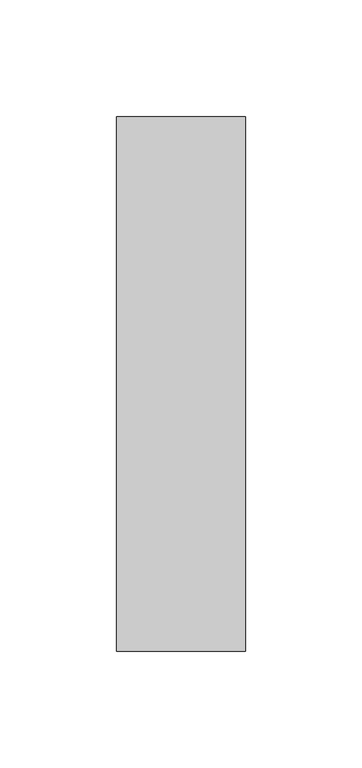
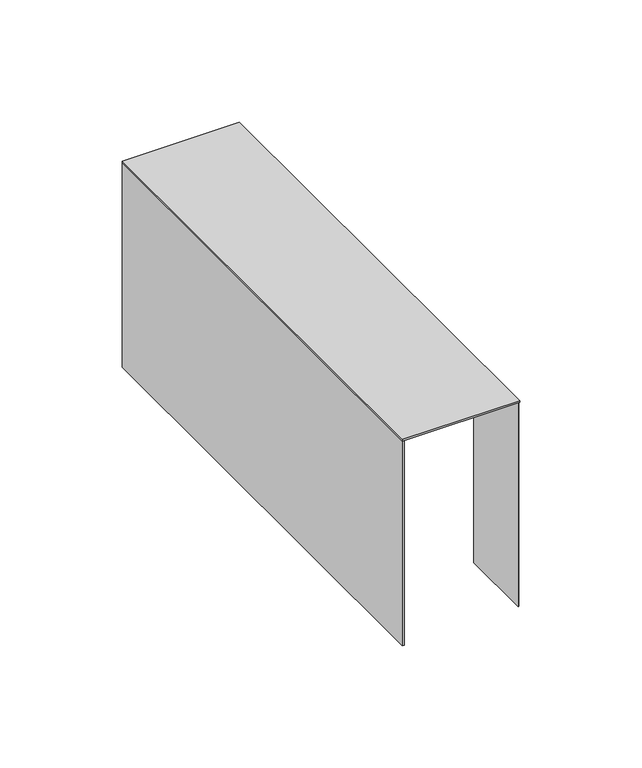
"""IFC4 building model written with IfcOpenShell, lengths in millimetres: furniture geometry."""

from ifc_helpers import new_model, si_unit, frame, origin, place, context, project, spatial, polyline, outline, extrude, source, transform, mapped, element, save


def furniture_16cd0b10(model_context):
    return source(origin(), model_context, "Body", "SweptSolid", [
        extrude(outline(polyline([(77.5969987, -202.1681468), (22.2249992, -202.1681468), (22.2249992, 27.0922576), (77.5969987, 27.0922576), (77.5969987, -202.1681468)])), frame((0.0, 0.0, 434.6768117), z_axis=(0.0, 0.0, 1.0), x_axis=(1.0, 0.0, 0.0)), (0.0, 0.0, 1.0), 0.9132792),
        extrude(outline(polyline([(22.2249992, 27.0922576), (77.5969987, 27.0922576), (77.5969987, 26.2157169), (23.0449035, 26.2157169), (23.0449035, -202.1681468), (22.2249992, -202.1681468), (22.2249992, 27.0922576)])), frame((0.0, 0.0, 332.4660802), z_axis=(0.0, 0.0, 1.0), x_axis=(1.0, 0.0, 0.0)), (0.0, 0.0, 1.0), 103.1240107),
        extrude(outline(polyline([(77.2172677, -201.64287), (77.2172677, -165.4732573), (77.5982674, -165.4732573), (77.5982674, -201.64287), (77.2172677, -201.64287)])), frame((0.0, 0.0, 332.4660802), z_axis=(0.0, 0.0, 1.0), x_axis=(1.0, 0.0, 0.0)), (0.0, 0.0, 1.0), 102.3619932),
    ])


if __name__ == "__main__":
    model = new_model("IFC4")
    model_context = context("Model", 3, world=origin())
    ifc_project = project(units=[si_unit("LENGTHUNIT", "METRE", prefix="MILLI")], contexts=[model_context])
    site = spatial("IfcSite", under=ifc_project)
    building = spatial("IfcBuilding", under=site)
    placement = place(None, origin())
    furniture_shape = furniture_16cd0b10(model_context)
    element("IfcFurniture", 1, at=placement, inside=building, context=model_context, shape_type="MappedRepresentation", body=[
        mapped(furniture_shape, transform((0.0, 0.0, 0.0), x_axis=(1.0, 0.0, 0.0), y_axis=(0.0, 1.0, 0.0), z_axis=(0.0, 0.0, 1.0))),
    ])
    save(model, "model.ifc")
